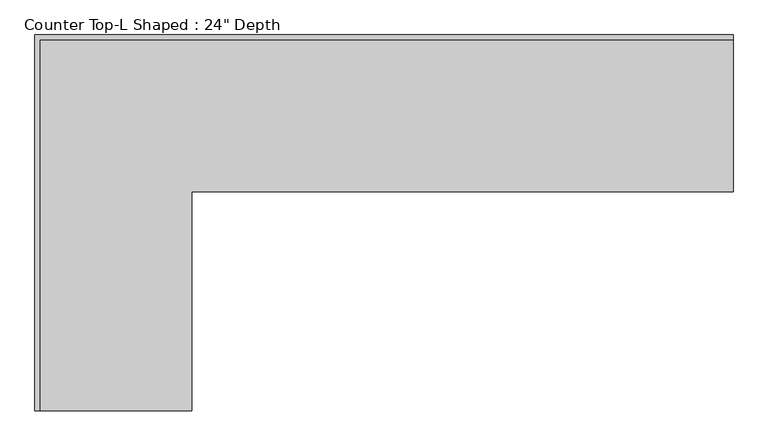
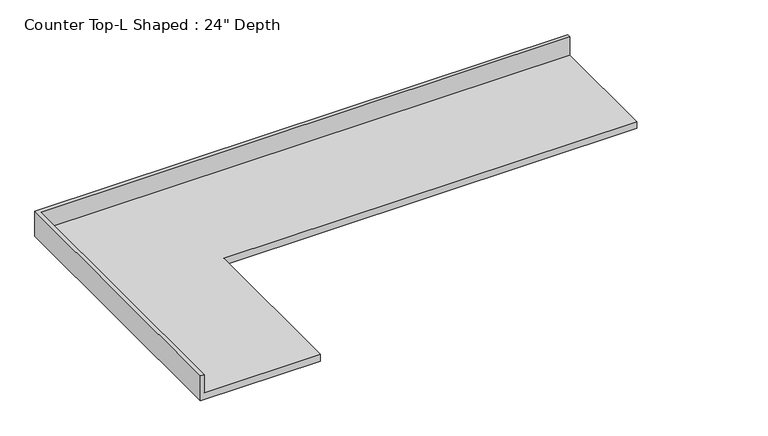
"""IFC4 building model written with IfcOpenShell, lengths in millimetres: furniture geometry."""

from ifc_helpers import new_model, si_unit, origin, place, context, project, spatial, faceted_brep, source, transform, mapped, element, save


def furniture_6d814d65(model_context):
    return source(origin(), model_context, "Body", "Brep", [
        faceted_brep([(-565.4622951, -1522.7279974, 914.4), (-565.4622951, -635.0, 914.4), (1627.6104841, -635.0, 914.4), (1627.6104841, -19.05, 914.4), (-1181.4122951, -19.05, 914.4), (-1181.4122951, -1522.7279974, 914.4), (1627.6104841, 0.0, 876.3), (1627.6104841, -635.0, 876.3), (-565.4622951, -635.0, 876.3), (-565.4622951, -1522.7279974, 876.3), (-1200.4622951, -1522.7279974, 876.3), (-1200.4622951, 0.0, 876.3), (-1200.4622951, 0.0, 1016.0), (1627.6104841, 0.0, 1016.0), (-1200.4622951, -1522.7279974, 1016.0), (-1181.4122951, -1522.7279974, 1016.0), (1627.6104841, -19.05, 1016.0), (-1181.4122951, -19.05, 1016.0)], [[[0, 1, 2, 3, 4, 5]], [[6, 7, 8, 9, 10, 11]], [[6, 11, 12, 13]], [[11, 10, 14, 12]], [[14, 10, 9, 0, 5, 15]], [[1, 0, 9, 8]], [[2, 1, 8, 7]], [[7, 6, 13, 16, 3, 2]], [[12, 14, 15, 17, 16, 13]], [[3, 16, 17, 4]], [[17, 15, 5, 4]]]),
    ])


if __name__ == "__main__":
    model = new_model("IFC4")
    model_context = context("Model", 3, world=origin())
    ifc_project = project(units=[si_unit("LENGTHUNIT", "METRE", prefix="MILLI")], contexts=[model_context])
    site = spatial("IfcSite", under=ifc_project)
    building = spatial("IfcBuilding", under=site)
    placement = place(None, origin())
    furniture_shape = furniture_6d814d65(model_context)
    element("IfcFurniture", 1, ObjectType="Counter Top-L Shaped : 24\" Depth", at=placement, inside=building, context=model_context, shape_type="MappedRepresentation", body=[
        mapped(furniture_shape, transform((0.0, 0.0, 0.0), x_axis=(1.0, 0.0, 0.0), y_axis=(0.0, 1.0, 0.0), z_axis=(0.0, 0.0, 1.0))),
    ])
    save(model, "model.ifc")
